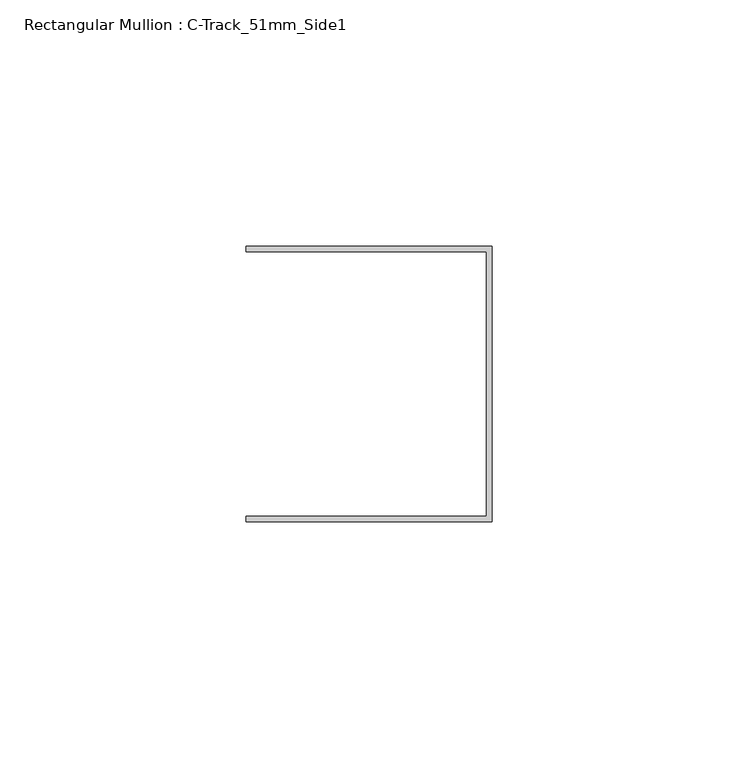
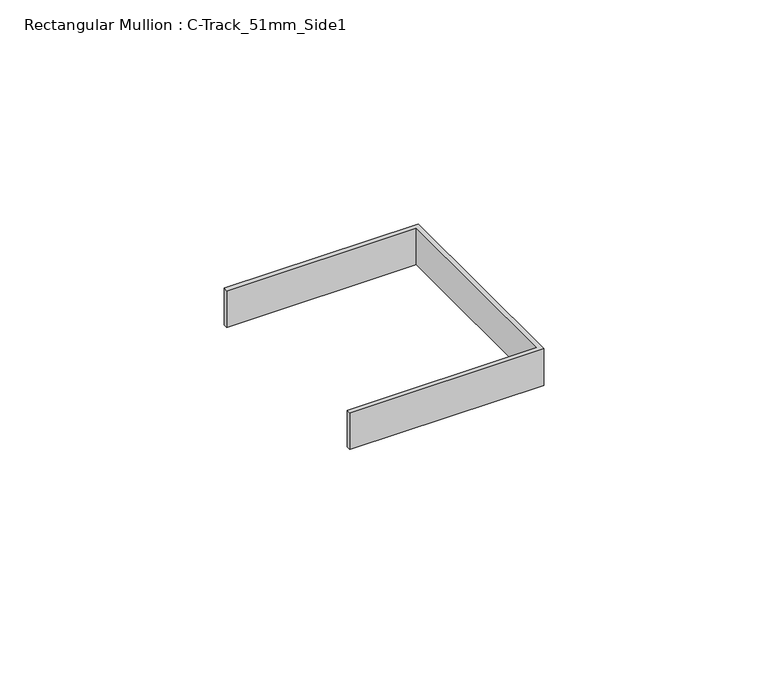
"""IFC4 building model written with IfcOpenShell, lengths in millimetres: member geometry, Rectangular Mullion : C-Track_51mm_Side1."""

from ifc_helpers import new_model, si_unit, frame, origin, place, context, project, spatial, polyline, outline, extrude, source, transform, mapped, element, save


def rectangular_mullion_c_track_51mm_side1_85800787(model_context):
    return source(origin(), model_context, "Body", "SweptSolid", [
        extrude(outline(polyline([(-1.15, 26.85), (-50.0, 26.85), (-50.0, 28.0), (0.0, 28.0), (0.0, -28.0), (-50.0, -28.0), (-50.0, -26.85), (-1.15, -26.85), (-1.15, 26.85)])), frame((0.0, 0.0, -10.0), z_axis=(0.0, 0.0, 1.0), x_axis=(1.0, 0.0, 0.0)), (0.0, 0.0, 1.0), 10.0),
    ])


if __name__ == "__main__":
    model = new_model("IFC4")
    model_context = context("Model", 3, world=origin())
    ifc_project = project(units=[si_unit("LENGTHUNIT", "METRE", prefix="MILLI")], contexts=[model_context])
    site = spatial("IfcSite", under=ifc_project)
    building = spatial("IfcBuilding", under=site)
    placement = place(None, origin())
    rectangular_mullion_c_track_51mm_side1_shape = rectangular_mullion_c_track_51mm_side1_85800787(model_context)
    element("IfcMember", 1, ObjectType="Rectangular Mullion : C-Track_51mm_Side1", at=placement, inside=building, context=model_context, shape_type="MappedRepresentation", body=[
        mapped(rectangular_mullion_c_track_51mm_side1_shape, transform((0.0, 0.0, 0.0), x_axis=(1.0, 0.0, 0.0), y_axis=(0.0, 1.0, 0.0), z_axis=(0.0, 0.0, 1.0))),
    ])
    save(model, "model.ifc")
